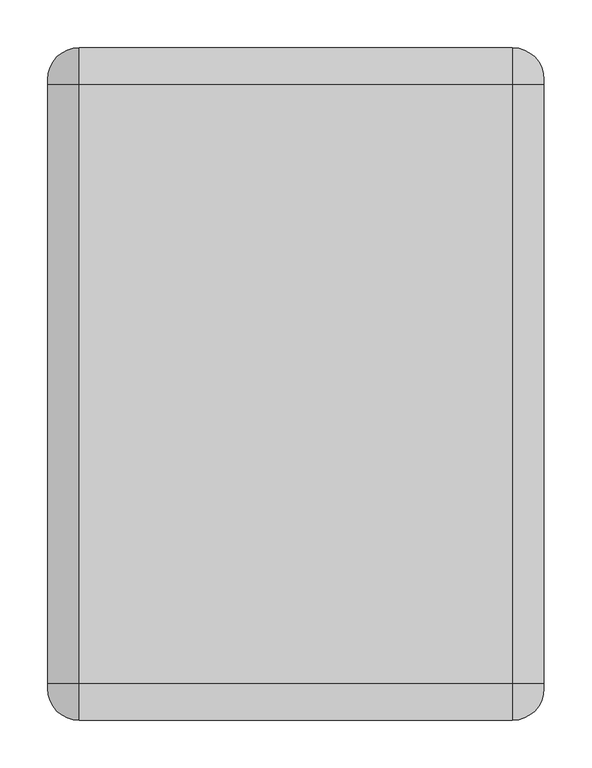
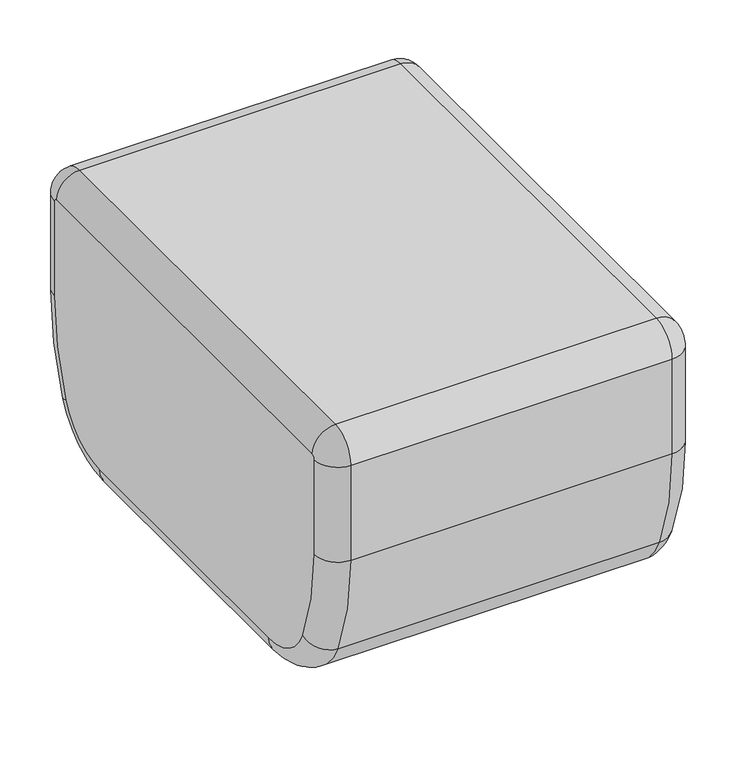
"""IFC4 building model written with IfcOpenShell, lengths in millimetres: furniture geometry."""

from ifc_helpers import new_model, si_unit, point, frame, frame_2d, origin, origin_with_axes, place, context, project, spatial, circle_curve, ellipse_curve, trimmed, segment, composite_curve, outline, extrude, source, transform, mapped, element, save
from ifc_brep_helpers import plane_surface, cylinder_surface, revolved_surface, advanced_brep


def furniture_b7219dcf(model_context):
    return source(origin(), model_context, "Body", "SolidModel", [
        advanced_brep(
        [(227.2665288, -352.425, 381.0), (227.2665288, -314.325, 419.1), (-227.2665288, -314.325, 419.1), (-227.2665288, -352.425, 381.0), (260.2865288, -319.405, 381.0), (260.2865288, -314.325, 386.08), (-260.2865288, -314.325, 386.08), (-260.2865288, -319.405, 381.0), (-227.2665288, -352.425, 238.9524435), (227.2665288, -352.425, 238.9524435), (260.2865288, -319.405, 238.9524435), (-260.2865288, -319.405, 238.9524435), (-227.2665288, -321.0697328, 87.2968101), (227.2665288, -321.0697328, 87.2968101), (260.2865288, -290.7570061, 100.3910456), (-260.2865288, -290.7570061, 100.3910456), (-227.2665288, -207.5868751, 12.7000004), (227.2665288, -207.5868751, 12.7000004), (260.2865288, -207.5868751, 45.7200004), (-260.2865288, -207.5868751, 45.7200004), (-227.2665288, 207.5868751, 12.7000004), (227.2665288, 207.5868751, 12.7000004), (260.2865288, 207.5868751, 45.7200004), (-260.2865288, 207.5868751, 45.7200004), (-227.2665288, 321.0697328, 87.2968101), (227.2665288, 321.0697328, 87.2968101), (260.2865288, 290.7570061, 100.3910456), (-260.2865288, 290.7570061, 100.3910456), (-227.2665288, 352.425, 238.9524435), (227.2665288, 352.425, 238.9524435), (260.2865288, 319.405, 238.9524435), (-260.2865288, 319.405, 238.9524435), (-227.2665288, 352.425, 381.0), (227.2665288, 352.425, 381.0), (260.2865288, 319.405, 381.0), (-260.2865288, 319.405, 381.0), (-227.2665288, 314.325, 419.1), (227.2665288, 314.325, 419.1), (260.2865288, 314.325, 386.08), (-260.2865288, 314.325, 386.08)],
        [
            (0, 1, circle_curve(frame((227.2665288, -314.325, 381.0), z_axis=(-1.0, 0.0, 0.0), x_axis=(0.0, 0.0, 1.0)), 38.1)),
            (1, 2),
            (2, 3, circle_curve(frame((-227.2665288, -314.325, 381.0), z_axis=(1.0, 0.0, 0.0), x_axis=(0.0, 0.0, 1.0)), 38.1)),
            (3, 0),
            (0, 4, circle_curve(frame((227.2665288, -319.405, 381.0), z_axis=(0.0, 0.0, 1.0), x_axis=(1.0, 0.0, 0.0)), 33.02)),
            (4, 5, circle_curve(frame((260.2865288, -314.325, 381.0), z_axis=(-1.0, 0.0, 0.0), x_axis=(0.0, 0.0, 1.0)), 5.08)),
            (5, 1, circle_curve(frame((227.2665288, -314.325, 386.08), z_axis=(0.0, -1.0, 0.0), x_axis=(1.0, 0.0, 0.0)), 33.02)),
            (2, 6, circle_curve(frame((-227.2665288, -314.325, 386.08), z_axis=(0.0, -1.0, 0.0), x_axis=(1.0, 0.0, 0.0)), 33.02)),
            (6, 7, circle_curve(frame((-260.2865288, -314.325, 381.0), z_axis=(1.0, 0.0, 0.0), x_axis=(0.0, 0.0, 1.0)), 5.08)),
            (7, 3, circle_curve(frame((-227.2665288, -319.405, 381.0), z_axis=(0.0, 0.0, 1.0), x_axis=(1.0, 0.0, 0.0)), 33.02)),
            (3, 8),
            (8, 9),
            (9, 0),
            (9, 10, circle_curve(frame((227.2665288, -319.405, 238.9524435), z_axis=(0.0, 0.0, 1.0), x_axis=(1.0, 0.0, 0.0)), 33.02)),
            (10, 4),
            (7, 11),
            (11, 8, circle_curve(frame((-227.2665288, -319.405, 238.9524435), z_axis=(0.0, 0.0, 1.0), x_axis=(1.0, 0.0, 0.0)), 33.02)),
            (8, 12, circle_curve(frame((-227.2665288, 30.0080974, 238.9524435), z_axis=(1.0, 0.0, 0.0), x_axis=(0.0, -1.0, 0.0)), 382.4330974)),
            (12, 13),
            (13, 9, circle_curve(frame((227.2665288, 30.0080974, 238.9524435), z_axis=(-1.0, 0.0, 0.0), x_axis=(0.0, -1.0, 0.0)), 382.4330974)),
            (13, 14, circle_curve(frame((227.2665288, -290.7570061, 100.3910456), z_axis=(0.0, -0.39655467691642393, 0.9180111046254891), x_axis=(1.0, 0.0, 0.0)), 33.02)),
            (14, 10, circle_curve(frame((260.2865288, 30.0080974, 238.9524435), z_axis=(-1.0, 0.0, 0.0), x_axis=(0.0, -1.0, 0.0)), 349.4130974)),
            (11, 15, circle_curve(frame((-260.2865288, 30.0080974, 238.9524435), z_axis=(1.0, 0.0, 0.0), x_axis=(0.0, -1.0, 0.0)), 349.4130974)),
            (15, 12, circle_curve(frame((-227.2665288, -290.7570061, 100.3910456), z_axis=(0.0, -0.3965546769164255, 0.9180111046254884), x_axis=(1.0, 0.0, 0.0)), 33.02)),
            (12, 16, circle_curve(frame((-227.2665288, -207.5868751, 136.3181757), z_axis=(1.0, 0.0, 0.0), x_axis=(0.0, -0.9180111046254964, -0.39655467691640706)), 123.6181753)),
            (16, 17),
            (17, 13, circle_curve(frame((227.2665288, -207.5868751, 136.3181757), z_axis=(-1.0, 0.0, 0.0), x_axis=(0.0, -0.9180111046254964, -0.39655467691640706)), 123.6181753)),
            (17, 18, circle_curve(frame((227.2665288, -207.5868751, 45.7200004), z_axis=(0.0, -1.0, 0.0), x_axis=(1.0, 0.0, 0.0)), 33.02)),
            (18, 14, circle_curve(frame((260.2865288, -207.5868751, 136.3181757), z_axis=(-1.0, 0.0, 0.0), x_axis=(0.0, -0.9180111046254964, -0.39655467691640706)), 90.5981753)),
            (15, 19, circle_curve(frame((-260.2865288, -207.5868751, 136.3181757), z_axis=(1.0, 0.0, 0.0), x_axis=(0.0, -0.9180111046254964, -0.39655467691640706)), 90.5981753)),
            (19, 16, circle_curve(frame((-227.2665288, -207.5868751, 45.7200004), z_axis=(0.0, -1.0, 0.0), x_axis=(1.0, 0.0, 0.0)), 33.02)),
            (16, 20),
            (20, 21),
            (21, 17),
            (21, 22, circle_curve(frame((227.2665288, 207.5868751, 45.7200004), z_axis=(0.0, -1.0, 0.0), x_axis=(1.0, 0.0, 0.0)), 33.02)),
            (22, 18),
            (19, 23),
            (23, 20, circle_curve(frame((-227.2665288, 207.5868751, 45.7200004), z_axis=(0.0, -1.0, 0.0), x_axis=(1.0, 0.0, 0.0)), 33.02)),
            (20, 24, circle_curve(frame((-227.2665288, 207.5868751, 136.3181757), z_axis=(1.0, 0.0, 0.0), x_axis=(0.0, 0.0, -1.0)), 123.6181753)),
            (24, 25),
            (25, 21, circle_curve(frame((227.2665288, 207.5868751, 136.3181757), z_axis=(-1.0, 0.0, 0.0), x_axis=(0.0, 0.0, -1.0)), 123.6181753)),
            (25, 26, circle_curve(frame((227.2665288, 290.7570061, 100.3910456), z_axis=(0.0, -0.3965546769164261, -0.9180111046254882), x_axis=(1.0, 0.0, 0.0)), 33.02)),
            (26, 22, circle_curve(frame((260.2865288, 207.5868751, 136.3181757), z_axis=(-1.0, 0.0, 0.0), x_axis=(0.0, 0.0, -1.0)), 90.5981753)),
            (23, 27, circle_curve(frame((-260.2865288, 207.5868751, 136.3181757), z_axis=(1.0, 0.0, 0.0), x_axis=(0.0, 0.0, -1.0)), 90.5981753)),
            (27, 24, circle_curve(frame((-227.2665288, 290.7570061, 100.3910456), z_axis=(0.0, -0.39655467691642465, -0.9180111046254887), x_axis=(1.0, 0.0, 0.0)), 33.02)),
            (24, 28, circle_curve(frame((-227.2665288, -30.0080974, 238.9524435), z_axis=(1.0, 0.0, 0.0), x_axis=(0.0, 0.9180111046254864, -0.3965546769164301)), 382.4330974)),
            (28, 29),
            (29, 25, circle_curve(frame((227.2665288, -30.0080974, 238.9524435), z_axis=(-1.0, 0.0, 0.0), x_axis=(0.0, 0.9180111046254864, -0.3965546769164301)), 382.4330974)),
            (29, 30, circle_curve(frame((227.2665288, 319.405, 238.9524435), z_axis=(0.0, 0.0, -1.0), x_axis=(1.0, 0.0, 0.0)), 33.02)),
            (30, 26, circle_curve(frame((260.2865288, -30.0080974, 238.9524435), z_axis=(-1.0, 0.0, 0.0), x_axis=(0.0, 0.9180111046254864, -0.3965546769164301)), 349.4130974)),
            (27, 31, circle_curve(frame((-260.2865288, -30.0080974, 238.9524435), z_axis=(1.0, 0.0, 0.0), x_axis=(0.0, 0.9180111046254864, -0.3965546769164301)), 349.4130974)),
            (31, 28, circle_curve(frame((-227.2665288, 319.405, 238.9524435), z_axis=(0.0, 0.0, -1.0), x_axis=(1.0, 0.0, 0.0)), 33.02)),
            (28, 32),
            (32, 33),
            (33, 29),
            (33, 34, circle_curve(frame((227.2665288, 319.405, 381.0), z_axis=(0.0, 0.0, -1.0), x_axis=(1.0, 0.0, 0.0)), 33.02)),
            (34, 30),
            (31, 35),
            (35, 32, circle_curve(frame((-227.2665288, 319.405, 381.0), z_axis=(0.0, 0.0, -1.0), x_axis=(1.0, 0.0, 0.0)), 33.02)),
            (32, 36, circle_curve(frame((-227.2665288, 314.325, 381.0), z_axis=(1.0, 0.0, 0.0), x_axis=(0.0, 1.0, 0.0)), 38.1)),
            (36, 37),
            (37, 33, circle_curve(frame((227.2665288, 314.325, 381.0), z_axis=(-1.0, 0.0, 0.0), x_axis=(0.0, 1.0, 0.0)), 38.1)),
            (37, 38, circle_curve(frame((227.2665288, 314.325, 386.08), z_axis=(0.0, 1.0, 0.0), x_axis=(1.0, 0.0, 0.0)), 33.02)),
            (38, 34, circle_curve(frame((260.2865288, 314.325, 381.0), z_axis=(-1.0, 0.0, 0.0), x_axis=(0.0, 1.0, 0.0)), 5.08)),
            (35, 39, circle_curve(frame((-260.2865288, 314.325, 381.0), z_axis=(1.0, 0.0, 0.0), x_axis=(0.0, 1.0, 0.0)), 5.08)),
            (39, 36, circle_curve(frame((-227.2665288, 314.325, 386.08), z_axis=(0.0, 1.0, 0.0), x_axis=(1.0, 0.0, 0.0)), 33.02)),
            (1, 37),
            (36, 2),
            (5, 38),
            (6, 39),
        ],
        [
            cylinder_surface(frame((0.0, -314.325, 381.0), z_axis=(1.0, 0.0, 0.0), x_axis=(0.0, 0.0, 1.0)), 38.1),
            revolved_surface(trimmed(ellipse_curve(frame((227.2665288, -314.325, 386.08), z_axis=(0.0, 1.0, 0.0), x_axis=(1.0, 0.0, 0.0)), 33.02, 33.02), [point((227.2665288, -314.325, 419.1))], [point((260.2865288, -314.325, 386.08))], True, "CARTESIAN"), (0.0, -314.325, 381.0), (1.0, 0.0, 0.0)),
            revolved_surface(trimmed(ellipse_curve(frame((-227.2665288, -314.325, 386.08), z_axis=(0.0, 1.0, 0.0), x_axis=(1.0, 0.0, 0.0)), 33.02, 33.02), [point((-260.2865288, -314.325, 386.08))], [point((-227.2665288, -314.325, 419.1))], True, "CARTESIAN"), (0.0, -314.325, 381.0), (1.0, 0.0, 0.0)),
            plane_surface(frame((-227.2665288, -352.425, 381.0), z_axis=(0.0, -1.0, 0.0), x_axis=(0.0, 0.0, -1.0))),
            cylinder_surface(frame((227.2665288, -319.405, 381.0), z_axis=(0.0, 0.0, 1.0), x_axis=(1.0, 0.0, 0.0)), 33.02),
            cylinder_surface(frame((-227.2665288, -319.405, 381.0), z_axis=(0.0, 0.0, 1.0), x_axis=(1.0, 0.0, 0.0)), 33.02),
            cylinder_surface(frame((0.0, 30.0080974, 238.9524435), z_axis=(1.0, 0.0, 0.0), x_axis=(0.0, -1.0, 0.0)), 382.4330974),
            revolved_surface(trimmed(ellipse_curve(frame((227.2665288, -319.405, 238.9524435), z_axis=(0.0, 0.0, 1.0), x_axis=(1.0, 0.0, 0.0)), 33.02, 33.02), [point((227.2665288, -352.425, 238.9524435))], [point((260.2865288, -319.405, 238.9524435))], True, "CARTESIAN"), (0.0, 30.0080974, 238.9524435), (1.0, 0.0, 0.0)),
            revolved_surface(trimmed(ellipse_curve(frame((-227.2665288, -319.405, 238.9524435), z_axis=(0.0, 0.0, 1.0), x_axis=(1.0, 0.0, 0.0)), 33.02, 33.02), [point((-260.2865288, -319.405, 238.9524435))], [point((-227.2665288, -352.425, 238.9524435))], True, "CARTESIAN"), (0.0, 30.0080974, 238.9524435), (1.0, 0.0, 0.0)),
            cylinder_surface(frame((0.0, -207.5868751, 136.3181757), z_axis=(1.0, 0.0, 0.0), x_axis=(0.0, -0.9180111046254964, -0.39655467691640706)), 123.6181753),
            revolved_surface(trimmed(ellipse_curve(frame((227.2665288, -290.7570061, 100.3910456), z_axis=(0.0, -0.3965546769164072, 0.9180111046254963), x_axis=(1.0, 0.0, 0.0)), 33.02, 33.02), [point((227.2665288, -321.0697328, 87.2968101))], [point((260.2865288, -290.7570061, 100.3910456))], True, "CARTESIAN"), (0.0, -207.5868751, 136.3181757), (1.0, 0.0, 0.0)),
            revolved_surface(trimmed(ellipse_curve(frame((-227.2665288, -290.7570061, 100.3910456), z_axis=(0.0, -0.3965546769164072, 0.9180111046254963), x_axis=(1.0, 0.0, 0.0)), 33.02, 33.02), [point((-260.2865288, -290.7570061, 100.3910456))], [point((-227.2665288, -321.0697328, 87.2968101))], True, "CARTESIAN"), (0.0, -207.5868751, 136.3181757), (1.0, 0.0, 0.0)),
            plane_surface(frame((-227.2665288, -207.5868751, 12.7000004), z_axis=(0.0, 0.0, -1.0), x_axis=(0.0, 1.0, 0.0))),
            cylinder_surface(frame((227.2665288, -207.5868751, 45.7200004), z_axis=(0.0, -1.0, 0.0), x_axis=(1.0, 0.0, 0.0)), 33.02),
            cylinder_surface(frame((-227.2665288, -207.5868751, 45.7200004), z_axis=(0.0, -1.0, 0.0), x_axis=(1.0, 0.0, 0.0)), 33.02),
            cylinder_surface(frame((0.0, 207.5868751, 136.3181757), z_axis=(1.0, 0.0, 0.0), x_axis=(0.0, 0.0, -1.0)), 123.6181753),
            revolved_surface(trimmed(ellipse_curve(frame((227.2665288, 207.5868751, 45.7200004), z_axis=(0.0, -1.0, 0.0), x_axis=(1.0, 0.0, 0.0)), 33.02, 33.02), [point((227.2665288, 207.5868751, 12.7000004))], [point((260.2865288, 207.5868751, 45.7200004))], True, "CARTESIAN"), (0.0, 207.5868751, 136.3181757), (1.0, 0.0, 0.0)),
            revolved_surface(trimmed(ellipse_curve(frame((-227.2665288, 207.5868751, 45.7200004), z_axis=(0.0, -1.0, 0.0), x_axis=(1.0, 0.0, 0.0)), 33.02, 33.02), [point((-260.2865288, 207.5868751, 45.7200004))], [point((-227.2665288, 207.5868751, 12.7000004))], True, "CARTESIAN"), (0.0, 207.5868751, 136.3181757), (1.0, 0.0, 0.0)),
            cylinder_surface(frame((0.0, -30.0080974, 238.9524435), z_axis=(1.0, 0.0, 0.0), x_axis=(0.0, 0.9180111046254864, -0.3965546769164301)), 382.4330974),
            revolved_surface(trimmed(ellipse_curve(frame((227.2665288, 290.7570061, 100.3910456), z_axis=(0.0, -0.3965546769164298, -0.9180111046254865), x_axis=(1.0, 0.0, 0.0)), 33.02, 33.02), [point((227.2665288, 321.0697328, 87.2968101))], [point((260.2865288, 290.7570061, 100.3910456))], True, "CARTESIAN"), (0.0, -30.0080974, 238.9524435), (1.0, 0.0, 0.0)),
            revolved_surface(trimmed(ellipse_curve(frame((-227.2665288, 290.7570061, 100.3910456), z_axis=(0.0, -0.3965546769164298, -0.9180111046254865), x_axis=(1.0, 0.0, 0.0)), 33.02, 33.02), [point((-260.2865288, 290.7570061, 100.3910456))], [point((-227.2665288, 321.0697328, 87.2968101))], True, "CARTESIAN"), (0.0, -30.0080974, 238.9524435), (1.0, 0.0, 0.0)),
            plane_surface(frame((-227.2665288, 352.425, 238.9524435), z_axis=(0.0, 1.0, 0.0), x_axis=(0.0, 0.0, 1.0))),
            cylinder_surface(frame((227.2665288, 319.405, 238.9524435), z_axis=(0.0, 0.0, -1.0), x_axis=(1.0, 0.0, 0.0)), 33.02),
            cylinder_surface(frame((-227.2665288, 319.405, 238.9524435), z_axis=(0.0, 0.0, -1.0), x_axis=(1.0, 0.0, 0.0)), 33.02),
            cylinder_surface(frame((0.0, 314.325, 381.0), z_axis=(1.0, 0.0, 0.0), x_axis=(0.0, 1.0, 0.0)), 38.1),
            revolved_surface(trimmed(ellipse_curve(frame((227.2665288, 319.405, 381.0), z_axis=(0.0, 0.0, -1.0), x_axis=(1.0, 0.0, 0.0)), 33.02, 33.02), [point((227.2665288, 352.425, 381.0))], [point((260.2865288, 319.405, 381.0))], True, "CARTESIAN"), (0.0, 314.325, 381.0), (1.0, 0.0, 0.0)),
            revolved_surface(trimmed(ellipse_curve(frame((-227.2665288, 319.405, 381.0), z_axis=(0.0, 0.0, -1.0), x_axis=(1.0, 0.0, 0.0)), 33.02, 33.02), [point((-260.2865288, 319.405, 381.0))], [point((-227.2665288, 352.425, 381.0))], True, "CARTESIAN"), (0.0, 314.325, 381.0), (1.0, 0.0, 0.0)),
            plane_surface(frame((-227.2665288, 314.325, 419.1), z_axis=(0.0, 0.0, 1.0), x_axis=(0.0, -1.0, 0.0))),
            cylinder_surface(frame((227.2665288, 314.325, 386.08), z_axis=(0.0, 1.0, 0.0), x_axis=(1.0, 0.0, 0.0)), 33.02),
            plane_surface(frame((260.2865288, 314.325, 386.08), z_axis=(1.0, 0.0, 0.0), x_axis=(0.0, -1.0, 0.0))),
            plane_surface(frame((-260.2865288, 314.325, 382.5541203), z_axis=(-1.0, 0.0, 0.0), x_axis=(0.0, -1.0, 0.0))),
            cylinder_surface(frame((-227.2665288, 314.325, 386.08), z_axis=(0.0, 1.0, 0.0), x_axis=(1.0, 0.0, 0.0)), 33.02),
        ],
        [
            (0, [[1, 2, 3, 4]]),
            (1, [[-1, 5, 6, 7]]),
            (2, [[-3, 8, 9, 10]]),
            (3, [[-4, 11, 12, 13]]),
            (4, [[-5, -13, 14, 15]]),
            (5, [[-10, 16, 17, -11]]),
            (6, [[-12, 18, 19, 20]]),
            (7, [[-14, -20, 21, 22]]),
            (8, [[-17, 23, 24, -18]]),
            (9, [[-19, 25, 26, 27]]),
            (10, [[-21, -27, 28, 29]]),
            (11, [[-24, 30, 31, -25]]),
            (12, [[-26, 32, 33, 34]]),
            (13, [[-28, -34, 35, 36]]),
            (14, [[-31, 37, 38, -32]]),
            (15, [[-33, 39, 40, 41]]),
            (16, [[-35, -41, 42, 43]]),
            (17, [[-38, 44, 45, -39]]),
            (18, [[-40, 46, 47, 48]]),
            (19, [[-42, -48, 49, 50]]),
            (20, [[-45, 51, 52, -46]]),
            (21, [[-47, 53, 54, 55]]),
            (22, [[-49, -55, 56, 57]]),
            (23, [[-52, 58, 59, -53]]),
            (24, [[-54, 60, 61, 62]]),
            (25, [[-56, -62, 63, 64]]),
            (26, [[-59, 65, 66, -60]]),
            (27, [[-2, 67, -61, 68]]),
            (28, [[-7, 69, -63, -67]]),
            (29, [[-6, -15, -22, -29, -36, -43, -50, -57, -64, -69]]),
            (30, [[-9, 70, -65, -58, -51, -44, -37, -30, -23, -16]]),
            (31, [[-8, -68, -66, -70]]),
        ],
    ),
        extrude(outline(composite_curve([segment(trimmed(circle_curve(frame_2d((-184.149997, 192.4314652)), 25.3407952), [point((-209.4907921, 192.4314652))], [point((-158.8092018, 192.4314652))], False, "CARTESIAN"), True, "CONTINUOUS"), segment(trimmed(circle_curve(frame_2d((-184.149997, 192.4314652)), 25.3407952), [point((-158.8092018, 192.4314652))], [point((-209.4907921, 192.4314652))], False, "CARTESIAN"), True, "CONTINUOUS")], self_intersect=False)), origin_with_axes(), (0.0, 0.0, 1.0), 12.7000004),
        extrude(outline(composite_curve([segment(trimmed(circle_curve(frame_2d((184.149997, 192.4314652)), 25.3407952), [point((209.4907921, 192.4314652))], [point((158.8092018, 192.4314652))], False, "CARTESIAN"), True, "CONTINUOUS"), segment(trimmed(circle_curve(frame_2d((184.149997, 192.4314652)), 25.3407952), [point((158.8092018, 192.4314652))], [point((209.4907921, 192.4314652))], False, "CARTESIAN"), True, "CONTINUOUS")], self_intersect=False)), origin_with_axes(), (0.0, 0.0, 1.0), 12.7000004),
        extrude(outline(composite_curve([segment(trimmed(circle_curve(frame_2d((-184.149997, -192.4314652)), 25.3407952), [point((-209.4907921, -192.4314652))], [point((-158.8092018, -192.4314652))], False, "CARTESIAN"), True, "CONTINUOUS"), segment(trimmed(circle_curve(frame_2d((-184.149997, -192.4314652)), 25.3407952), [point((-158.8092018, -192.4314652))], [point((-209.4907921, -192.4314652))], False, "CARTESIAN"), True, "CONTINUOUS")], self_intersect=False)), origin_with_axes(), (0.0, 0.0, 1.0), 12.7000004),
        extrude(outline(composite_curve([segment(trimmed(circle_curve(frame_2d((184.149997, -192.4314652)), 25.3407952), [point((209.4907921, -192.4314652))], [point((158.8092018, -192.4314652))], False, "CARTESIAN"), True, "CONTINUOUS"), segment(trimmed(circle_curve(frame_2d((184.149997, -192.4314652)), 25.3407952), [point((158.8092018, -192.4314652))], [point((209.4907921, -192.4314652))], False, "CARTESIAN"), True, "CONTINUOUS")], self_intersect=False)), origin_with_axes(), (0.0, 0.0, 1.0), 12.7000004),
    ])


if __name__ == "__main__":
    model = new_model("IFC4")
    model_context = context("Model", 3, world=origin())
    ifc_project = project(units=[si_unit("LENGTHUNIT", "METRE", prefix="MILLI")], contexts=[model_context])
    site = spatial("IfcSite", under=ifc_project)
    building = spatial("IfcBuilding", under=site)
    placement = place(None, origin())
    furniture_shape = furniture_b7219dcf(model_context)
    element("IfcFurniture", 1, at=placement, inside=building, context=model_context, shape_type="MappedRepresentation", body=[
        mapped(furniture_shape, transform((0.0, 0.0, 0.0), x_axis=(1.0, 0.0, 0.0), y_axis=(0.0, 1.0, 0.0), z_axis=(0.0, 0.0, 1.0))),
    ])
    save(model, "model.ifc")
